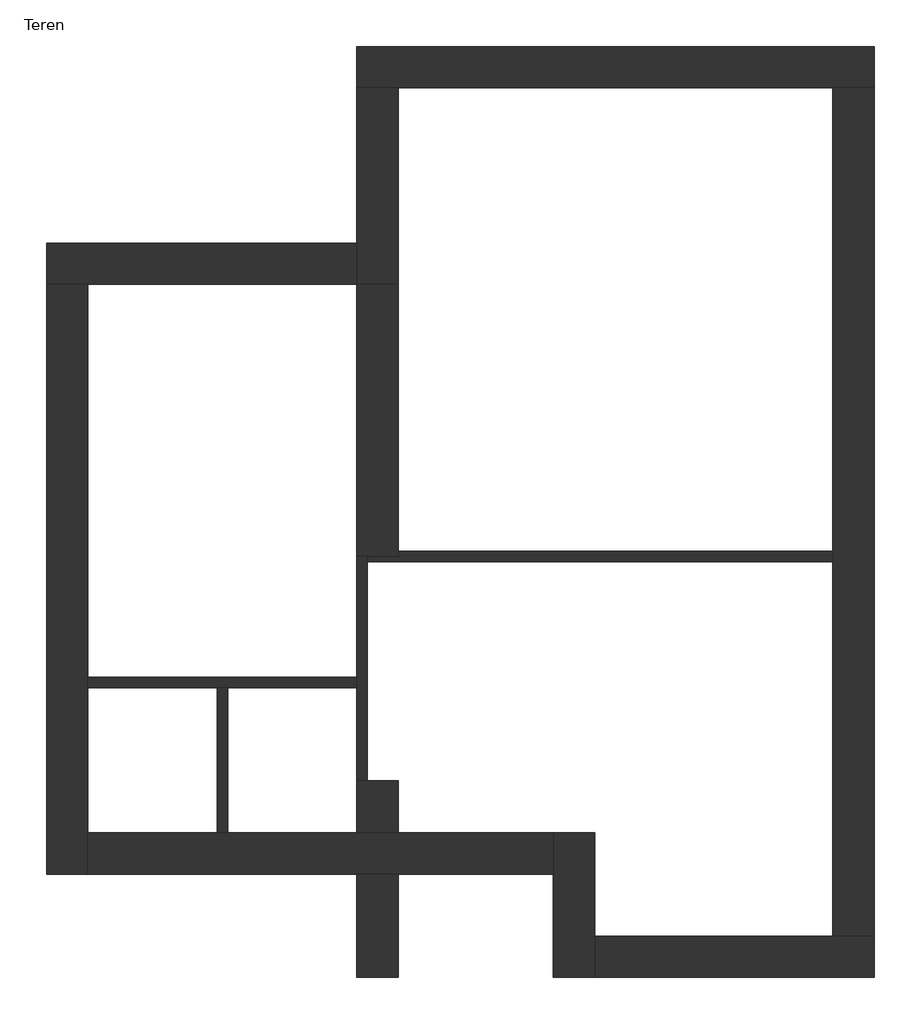
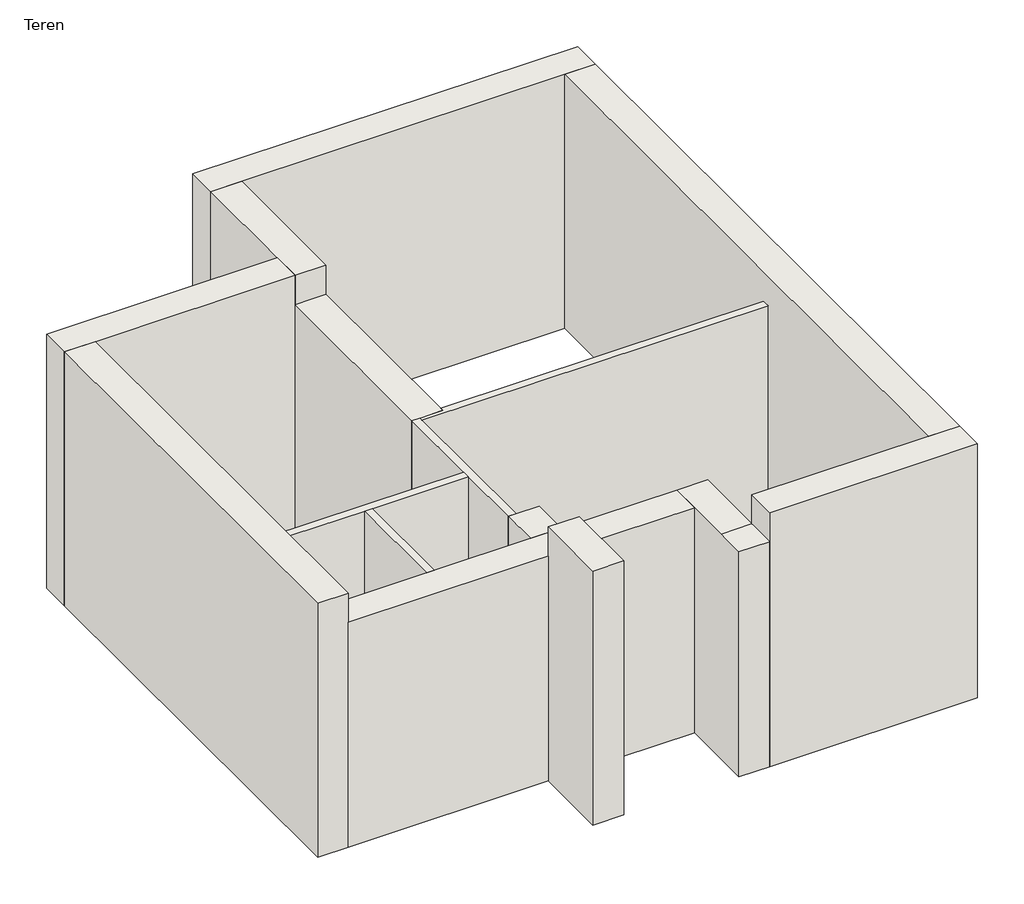
# One storey: 15 walls.
"""IFC4 building model written with IfcOpenShell, lengths in millimetres."""

from ifc_helpers import new_model, si_unit, frame, origin, place, context, project, spatial, polyline, outline, extrude, faceted_brep, element, save

model = new_model("IFC4")

# Units and contexts
model_context = context("Model", 3, world=origin())
ifc_project = project(units=[si_unit("LENGTHUNIT", "METRE", prefix="MILLI")], contexts=[model_context])

# Site, building, storey
site = spatial("IfcSite", under=ifc_project)
building = spatial("IfcBuilding", under=site)
storey = spatial("IfcBuildingStorey", under=building, Name="Teren", Elevation=605.7716934)

# Walls
placement = place(None, origin())
element("IfcWall", 1, at=placement, inside=storey, context=model_context, shape_type="Brep", body=[
    faceted_brep([(24107.8462138, 13295.8278326, 605.7716934), (19107.8462138, 13295.8278326, 605.7716934), (19107.8462138, 13295.8278326, 4095.7716934), (24107.8462138, 13295.8278326, 4095.7716934), (24107.8462138, 12895.8278326, 605.7716934), (24107.8462138, 12895.8278326, 4095.7716934), (23707.8462138, 12895.8278326, 4095.7716934), (19507.8462138, 12895.8278326, 4095.7716934), (19107.8462138, 12895.8278326, 4095.7716934), (19107.8462138, 12895.8278326, 605.7716934), (19507.8462138, 12895.8278326, 605.7716934), (23707.8462138, 12895.8278326, 605.7716934)], [[[0, 1, 2, 3]], [[4, 5, 6, 7, 8, 9, 10, 11]], [[1, 0, 4, 11, 10, 9]], [[3, 2, 8, 7, 6, 5]], [[2, 1, 9, 8]], [[0, 3, 5, 4]]]),
])
element("IfcWall", 2, at=placement, inside=storey, context=model_context, shape_type="Brep", body=[
    faceted_brep([(19107.8462138, 12895.8278326, 605.7716934), (19107.8462138, 11395.8278326, 605.7716934), (19107.8462138, 10995.8278326, 605.7716934), (19107.8462138, 10995.8278326, 655.7716934), (19107.8462138, 10995.8278326, 1055.7716934), (19107.8462138, 10995.8278326, 3695.7716934), (19107.8462138, 10995.8278326, 4095.7716934), (19107.8462138, 11395.8278326, 4095.7716934), (19107.8462138, 12895.8278326, 4095.7716934), (19507.8462138, 10995.8278326, 605.7716934), (19507.8462138, 12895.8278326, 605.7716934), (19507.8462138, 12895.8278326, 655.7716934), (19507.8462138, 12895.8278326, 1055.7716934), (19507.8462138, 12895.8278326, 4095.7716934), (19507.8462138, 10995.8278326, 4095.7716934), (19507.8462138, 10995.8278326, 3695.7716934), (19507.8462138, 10995.8278326, 1055.7716934), (19507.8462138, 10995.8278326, 655.7716934)], [[[0, 1, 2, 3, 4, 5, 6, 7, 8]], [[9, 10, 11, 12, 13, 14, 15, 16, 17]], [[2, 1, 0, 10, 9]], [[8, 7, 6, 14, 13]], [[0, 8, 13, 12, 11, 10]], [[2, 9, 17, 16, 15, 14, 6, 5, 4, 3]]]),
])
element("IfcWall", 3, at=placement, inside=storey, context=model_context, shape_type="Brep", body=[
    faceted_brep([(19107.8462138, 11395.8278326, 605.7716934), (16107.8462138, 11395.8278326, 605.7716934), (16107.8462138, 11395.8278326, 4095.7716934), (19107.8462138, 11395.8278326, 4095.7716934), (16107.8462138, 10995.8278326, 605.7716934), (16507.8462138, 10995.8278326, 605.7716934), (19107.8462138, 10995.8278326, 605.7716934), (19107.8462138, 10995.8278326, 655.7716934), (19107.8462138, 10995.8278326, 1055.7716934), (19107.8462138, 10995.8278326, 4095.7716934), (16507.8462138, 10995.8278326, 4095.7716934), (16107.8462138, 10995.8278326, 4095.7716934)], [[[0, 1, 2, 3]], [[4, 5, 6, 7, 8, 9, 10, 11]], [[1, 0, 6, 5, 4]], [[3, 2, 11, 10, 9]], [[2, 1, 4, 11]], [[3, 9, 8, 7, 6, 0]]]),
])
element("IfcWall", 4, at=placement, inside=storey, context=model_context, shape_type="Brep", body=[
    faceted_brep([(16107.8462138, 10995.8278326, 605.7716934), (16107.8462138, 5295.8278326, 605.7716934), (16107.8462138, 5295.8278326, 4095.7716934), (16107.8462138, 10995.8278326, 4095.7716934), (16507.8462138, 10995.8278326, 605.7716934), (16507.8462138, 10995.8278326, 655.7716934), (16507.8462138, 10995.8278326, 1055.7716934), (16507.8462138, 10995.8278326, 4095.7716934), (16507.8462138, 5295.8278326, 4095.7716934), (16507.8462138, 5295.8278326, 3695.7716934), (16507.8462138, 5295.8278326, 605.7716934), (16507.8462138, 5695.8278326, 605.7716934), (16507.8462138, 7095.8278326, 605.7716934), (16507.8462138, 7195.8278326, 605.7716934)], [[[0, 1, 2, 3]], [[4, 5, 6, 7, 8, 9, 10, 11, 12, 13]], [[1, 0, 4, 13, 12, 11, 10]], [[3, 2, 8, 7]], [[0, 3, 7, 6, 5, 4]], [[2, 1, 10, 9, 8]]]),
])
element("IfcWall", 5, at=placement, inside=storey, context=model_context, shape_type="Brep", body=[
    faceted_brep([(16507.8462138, 5295.8278326, 605.7716934), (19107.8462138, 5295.8278326, 605.7716934), (19507.8462138, 5295.8278326, 605.7716934), (21007.8462138, 5295.8278326, 605.7716934), (21007.8462138, 5295.8278326, 3695.7716934), (19507.8462138, 5295.8278326, 3695.7716934), (16507.8462138, 5295.8278326, 3695.7716934), (21007.8462138, 5695.8278326, 605.7716934), (19507.8462138, 5695.8278326, 605.7716934), (19107.8462138, 5695.8278326, 605.7716934), (16507.8462138, 5695.8278326, 605.7716934), (16507.8462138, 5695.8278326, 655.7716934), (16507.8462138, 5695.8278326, 1055.7716934), (16507.8462138, 5695.8278326, 3695.7716934), (17757.8462138, 5695.8278326, 3695.7716934), (17857.8462138, 5695.8278326, 3695.7716934), (19107.8462138, 5695.8278326, 3695.7716934), (19507.8462138, 5695.8278326, 3695.7716934), (21007.8462138, 5695.8278326, 3695.7716934), (21007.8462138, 5695.8278326, 1055.7716934), (21007.8462138, 5695.8278326, 655.7716934)], [[[0, 1, 2, 3, 4, 5, 6]], [[7, 8, 9, 10, 11, 12, 13, 14, 15, 16, 17, 18, 19, 20]], [[3, 2, 1, 0, 10, 9, 8, 7]], [[0, 6, 13, 12, 11, 10]], [[4, 3, 7, 20, 19, 18]], [[13, 6, 5, 17, 16, 15, 14]], [[5, 4, 18, 17]]]),
])
element("IfcWall", 6, at=placement, inside=storey, context=model_context, shape_type="Brep", body=[
    faceted_brep([(21007.8462138, 5695.8278326, 605.7716934), (21007.8462138, 5295.8278326, 605.7716934), (21007.8462138, 4295.8278326, 605.7716934), (21007.8462138, 4295.8278326, 3695.7716934), (21007.8462138, 4695.8278326, 3695.7716934), (21007.8462138, 5295.8278326, 3695.7716934), (21007.8462138, 5695.8278326, 3695.7716934), (21007.8462138, 5695.8278326, 1055.7716934), (21007.8462138, 5695.8278326, 655.7716934), (21407.8462138, 4295.8278326, 605.7716934), (21407.8462138, 4695.8278326, 605.7716934), (21407.8462138, 5695.8278326, 605.7716934), (21407.8462138, 5695.8278326, 655.7716934), (21407.8462138, 5695.8278326, 1055.7716934), (21407.8462138, 5695.8278326, 3695.7716934), (21407.8462138, 4695.8278326, 3695.7716934), (21407.8462138, 4295.8278326, 3695.7716934)], [[[0, 1, 2, 3, 4, 5, 6, 7, 8]], [[9, 10, 11, 12, 13, 14, 15, 16]], [[2, 1, 0, 11, 10, 9]], [[11, 0, 8, 7, 6, 14, 13, 12]], [[3, 2, 9, 16]], [[3, 16, 15, 4]], [[6, 5, 4, 15, 14]]]),
])
element("IfcWall", 7, at=placement, inside=storey, context=model_context, shape_type="Brep", body=[
    faceted_brep([(21407.8462138, 4295.8278326, 605.7716934), (24107.8462138, 4295.8278326, 605.7716934), (24107.8462138, 4295.8278326, 4095.7716934), (21407.8462138, 4295.8278326, 4095.7716934), (21407.8462138, 4295.8278326, 3695.7716934), (21407.8462138, 4695.8278326, 605.7716934), (21407.8462138, 4695.8278326, 655.7716934), (21407.8462138, 4695.8278326, 1055.7716934), (21407.8462138, 4695.8278326, 4095.7716934), (23707.8462138, 4695.8278326, 4095.7716934), (24107.8462138, 4695.8278326, 4095.7716934), (24107.8462138, 4695.8278326, 605.7716934), (23707.8462138, 4695.8278326, 605.7716934)], [[[0, 1, 2, 3, 4]], [[5, 6, 7, 8, 9, 10, 11, 12]], [[1, 0, 5, 12, 11]], [[3, 2, 10, 9, 8]], [[0, 4, 3, 8, 7, 6, 5]], [[2, 1, 11, 10]]]),
])
element("IfcWall", 8, at=placement, inside=storey, context=model_context, shape_type="Brep", body=[
    faceted_brep([(24107.8462138, 4695.8278326, 605.7716934), (24107.8462138, 12895.8278326, 605.7716934), (24107.8462138, 12895.8278326, 4095.7716934), (24107.8462138, 4695.8278326, 4095.7716934), (23707.8462138, 4695.8278326, 605.7716934), (23707.8462138, 4695.8278326, 655.7716934), (23707.8462138, 4695.8278326, 1055.7716934), (23707.8462138, 4695.8278326, 4095.7716934), (23707.8462138, 12895.8278326, 4095.7716934), (23707.8462138, 12895.8278326, 1055.7716934), (23707.8462138, 12895.8278326, 655.7716934), (23707.8462138, 12895.8278326, 605.7716934), (23707.8462138, 8415.8278326, 605.7716934), (23707.8462138, 8315.8278326, 605.7716934)], [[[0, 1, 2, 3]], [[4, 5, 6, 7, 8, 9, 10, 11, 12, 13]], [[1, 0, 4, 13, 12, 11]], [[3, 2, 8, 7]], [[0, 3, 7, 6, 5, 4]], [[2, 1, 11, 10, 9, 8]]]),
])
element("IfcWall", 9, at=placement, inside=storey, context=model_context, shape_type="SweptSolid", body=[
    extrude(outline(polyline([(19107.8462138, 4295.8278326), (19107.8462138, 5295.8278326), (19507.8462138, 5295.8278326), (19507.8462138, 4295.8278326), (19107.8462138, 4295.8278326)])), frame((0.0, 0.0, 605.7716934), z_axis=(0.0, 0.0, 1.0), x_axis=(1.0, 0.0, 0.0)), (0.0, 0.0, 1.0), 3490.0),
])
element("IfcWall", 10, at=placement, inside=storey, context=model_context, shape_type="Brep", body=[
    faceted_brep([(19507.8462138, 5695.8278326, 605.7716934), (19507.8462138, 6195.8278326, 605.7716934), (19507.8462138, 6195.8278326, 3695.7716934), (19507.8462138, 5695.8278326, 3695.7716934), (19107.8462138, 5695.8278326, 605.7716934), (19107.8462138, 5695.8278326, 3695.7716934), (19107.8462138, 6195.8278326, 3695.7716934), (19107.8462138, 6195.8278326, 605.7716934), (19207.8462138, 6195.8278326, 605.7716934), (19207.8462138, 6195.8278326, 3695.7716934)], [[[0, 1, 2, 3]], [[4, 5, 6, 7]], [[1, 0, 4, 7, 8]], [[2, 1, 8, 7, 6, 9]], [[0, 3, 5, 4]], [[3, 2, 9, 6, 5]]]),
])
element("IfcWall", 11, at=placement, inside=storey, context=model_context, shape_type="SweptSolid", body=[
    extrude(outline(polyline([(23707.8462138, 8315.8278326), (19207.8462138, 8315.8278326), (19207.8462138, 8365.8278326), (19507.8462138, 8365.8278326), (19507.8462138, 8415.8278326), (23707.8462138, 8415.8278326), (23707.8462138, 8315.8278326)])), frame((0.0, 0.0, 605.7716934), z_axis=(0.0, 0.0, 1.0), x_axis=(1.0, 0.0, 0.0)), (0.0, 0.0, 1.0), 3090.0),
])
element("IfcWall", 12, at=placement, inside=storey, context=model_context, shape_type="Brep", body=[
    faceted_brep([(16507.8462138, 7095.8278326, 605.7716934), (19107.8462138, 7095.8278326, 605.7716934), (19107.8462138, 7095.8278326, 3695.7716934), (17857.8462138, 7095.8278326, 3695.7716934), (17757.8462138, 7095.8278326, 3695.7716934), (16507.8462138, 7095.8278326, 3695.7716934), (16507.8462138, 7195.8278326, 605.7716934), (16507.8462138, 7195.8278326, 3695.7716934), (19107.8462138, 7195.8278326, 3695.7716934), (19107.8462138, 7195.8278326, 605.7716934)], [[[0, 1, 2, 3, 4, 5]], [[6, 7, 8, 9]], [[1, 0, 6, 9]], [[0, 5, 7, 6]], [[2, 1, 9, 8]], [[5, 4, 3, 2, 8, 7]]]),
])
element("IfcWall", 13, at=placement, inside=storey, context=model_context, shape_type="SweptSolid", body=[
    extrude(outline(polyline([(17757.8462138, 5695.8278326), (17757.8462138, 7095.8278326), (17857.8462138, 7095.8278326), (17857.8462138, 5695.8278326), (17757.8462138, 5695.8278326)])), frame((0.0, 0.0, 1055.7716934), z_axis=(0.0, 0.0, 1.0), x_axis=(1.0, 0.0, 0.0)), (0.0, 0.0, 1.0), 2640.0),
])
element("IfcWall", 14, at=placement, inside=storey, context=model_context, shape_type="Brep", body=[
    faceted_brep([(19107.8462138, 10995.8278326, 605.7716934), (19107.8462138, 8365.8278326, 605.7716934), (19107.8462138, 8365.8278326, 3695.7716934), (19107.8462138, 10995.8278326, 3695.7716934), (19507.8462138, 10995.8278326, 605.7716934), (19507.8462138, 10995.8278326, 3695.7716934), (19507.8462138, 8415.8278326, 3695.7716934), (19507.8462138, 8365.8278326, 3695.7716934), (19507.8462138, 8365.8278326, 605.7716934), (19507.8462138, 8415.8278326, 605.7716934), (19207.8462138, 8365.8278326, 605.7716934), (19207.8462138, 8365.8278326, 3695.7716934)], [[[0, 1, 2, 3]], [[4, 5, 6, 7, 8, 9]], [[1, 0, 4, 9, 8, 10]], [[2, 1, 10, 8, 7, 11]], [[0, 3, 5, 4]], [[3, 2, 11, 7, 6, 5]]]),
])
element("IfcWall", 15, at=placement, inside=storey, context=model_context, shape_type="Brep", body=[
    faceted_brep([(19107.8462138, 8365.8278326, 605.7716934), (19107.8462138, 7195.8278326, 605.7716934), (19107.8462138, 7095.8278326, 605.7716934), (19107.8462138, 6195.8278326, 605.7716934), (19107.8462138, 6195.8278326, 3695.7716934), (19107.8462138, 7095.8278326, 3695.7716934), (19107.8462138, 7195.8278326, 3695.7716934), (19107.8462138, 8365.8278326, 3695.7716934), (19207.8462138, 8365.8278326, 605.7716934), (19207.8462138, 8365.8278326, 3695.7716934), (19207.8462138, 8315.8278326, 3695.7716934), (19207.8462138, 6195.8278326, 3695.7716934), (19207.8462138, 6195.8278326, 605.7716934), (19207.8462138, 8315.8278326, 605.7716934)], [[[0, 1, 2, 3, 4, 5, 6, 7]], [[8, 9, 10, 11, 12, 13]], [[3, 2, 1, 0, 8, 13, 12]], [[4, 3, 12, 11]], [[0, 7, 9, 8]], [[7, 6, 5, 4, 11, 10, 9]]]),
])

save(model, "model.ifc")
